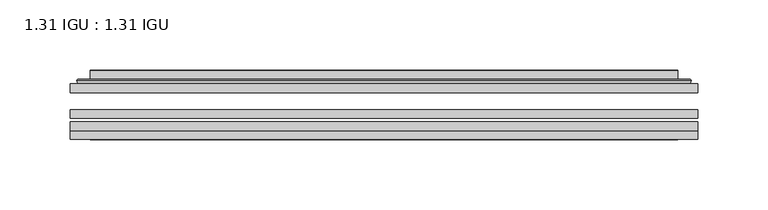
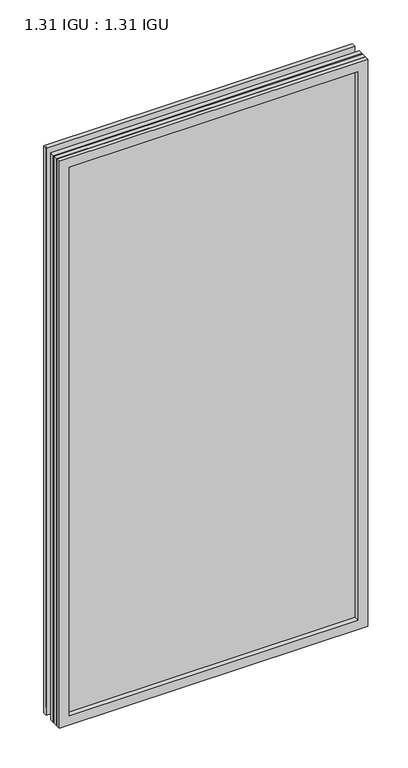
"""IFC4 building model written with IfcOpenShell, lengths in millimetres: plate geometry, 1.31 IGU : 1.31 IGU."""

from ifc_helpers import new_model, si_unit, frame, origin, place, context, project, spatial, polyline, ellipse_curve, outline, extrude, faceted_brep, source, transform, mapped, element, save
from ifc_brep_helpers import plane_surface, cylinder_surface, advanced_brep


def plate_1_31_igu_1_31_igu_ff685052(model_context):
    return source(origin(), model_context, "Body", "SolidModel", [
        extrude(outline(polyline([(223.851675, -63.2975937), (223.851675, -69.6475938), (-223.8375, -69.6475938), (-223.8375, -63.2975937), (223.851675, -63.2975937)])), frame((0.0, 0.0, -14.2875), z_axis=(0.0, 0.0, 1.0), x_axis=(1.0, 0.0, 0.0)), (0.0, 0.0, 1.0), 869.9537979),
        extrude(outline(polyline([(-223.8375, -78.2835938), (-223.8375, -71.9330887), (223.851675, -71.9330887), (223.851675, -78.2835938), (-223.8375, -78.2835938)])), frame((0.0, 0.0, -14.2875), z_axis=(0.0, 0.0, 1.0), x_axis=(1.0, 0.0, 0.0)), (0.0, 0.0, 1.0), 869.9537979),
        extrude(outline(polyline([(223.851675, -44.9587937), (223.851675, -51.3087938), (-223.8375, -51.3087938), (-223.8375, -44.9587937), (223.851675, -44.9587937)])), frame((0.0, 0.0, -14.2875), z_axis=(0.0, 0.0, 1.0), x_axis=(1.0, 0.0, 0.0)), (0.0, 0.0, 1.0), 869.9537979),
        faceted_brep([(-223.8502, -84.6335937, 855.6752), (-223.8502, -78.2835937, 855.6752), (-223.8502, -78.2835937, -14.3002), (-223.8502, -84.6335937, -14.3002), (223.8502, -78.2835937, -14.3002), (223.8502, -84.6335937, -14.3002), (223.8502, -78.2835937, 855.6752), (223.8502, -84.6335937, 855.6752), (-208.6522559, -78.2835937, 0.8977441), (208.6522559, -78.2835937, 0.8977441), (208.6522559, -78.2835937, 840.4772559), (-208.6522559, -78.2835937, 840.4772559), (-209.5446902, -84.6335937, 841.3696902), (209.5446902, -84.6335937, 841.3696902), (209.5446902, -84.6335937, 0.0053098), (-209.5446902, -84.6335937, 0.0053098)], [[[0, 1, 2, 3]], [[3, 2, 4, 5]], [[5, 4, 6, 7]], [[1, 6, 4, 2], [8, 9, 10, 11]], [[7, 6, 1, 0]], [[3, 5, 7, 0], [12, 13, 14, 15]], [[11, 12, 15, 8]], [[8, 15, 14, 9]], [[9, 14, 13, 10]], [[10, 13, 12, 11]]]),
        advanced_brep(
        [(-216.596219, -44.9587937, 848.421219), (-218.9504244, -42.9691271, 850.7754244), (-218.9504244, -42.9691271, -9.4004244), (-216.596219, -44.9587937, -7.046219), (-207.5218939, -41.1187568, 839.3468939), (-202.5870621, -44.9587937, 834.4120621), (-202.5870621, -44.9587937, 6.9629379), (-207.5218939, -41.1187568, 2.0281061), (-208.5539217, -35.7215256, 840.3789217), (-208.5539217, -35.7215256, 0.9960783), (-209.5445784, -35.3225507, 841.3695784), (-209.5445784, -35.3225507, 0.0054216), (-209.5445784, -41.7837937, 841.3695784), (-209.5445784, -41.7837937, 0.0054216), (-217.9486349, -41.7837937, 849.7736349), (-217.9486349, -41.7837937, -8.3986349), (218.9504244, -42.9691271, -9.4004244), (216.596219, -44.9587937, -7.046219), (202.5870621, -44.9587937, 6.9629379), (207.5218939, -41.1187568, 2.0281061), (208.5539217, -35.7215256, 0.9960783), (209.5445784, -35.3225507, 0.0054216), (209.5445784, -41.7837937, 0.0054216), (217.9486349, -41.7837937, -8.3986349), (218.9504244, -42.9691271, 850.7754244), (216.596219, -44.9587937, 848.421219), (202.5870621, -44.9587937, 834.4120621), (207.5218939, -41.1187568, 839.3468939), (208.5539217, -35.7215256, 840.3789217), (209.5445784, -35.3225507, 841.3695784), (209.5445784, -41.7837937, 841.3695784), (217.9486349, -41.7837937, 849.7736349)],
        [
            (0, 1, ellipse_curve(frame((-216.596219, -42.5711937, 848.421219), z_axis=(-0.7071067811865475, 0.0, -0.7071067811865475), x_axis=(-0.7071067811865474, 0.0, 0.7071067811865476)), 3.3765763, 2.3876)),
            (1, 2),
            (2, 3, ellipse_curve(frame((-216.596219, -42.5711937, -7.046219), z_axis=(-0.7071067811865475, 0.0, 0.7071067811865475), x_axis=(0.7071067811865474, 0.0, 0.7071067811865476)), 3.3765763, 2.3876)),
            (3, 0),
            (4, 5),
            (5, 6),
            (6, 7),
            (7, 4),
            (8, 4),
            (7, 9),
            (9, 8),
            (10, 8, ellipse_curve(frame((-209.1776219, -35.840786, 841.0026219), z_axis=(-0.7071067811865475, 0.0, -0.7071067811865475), x_axis=(-0.7071067811865474, 0.0, 0.7071067811865476)), 0.8980256, 0.635)),
            (9, 11, ellipse_curve(frame((-209.1776219, -35.840786, 0.3723781), z_axis=(-0.7071067811865475, 0.0, 0.7071067811865475), x_axis=(0.7071067811865474, 0.0, 0.7071067811865476)), 0.8980256, 0.635)),
            (11, 10),
            (12, 10),
            (11, 13),
            (13, 12),
            (1, 14, ellipse_curve(frame((-217.9486349, -42.7997937, 849.7736349), z_axis=(-0.7071067811865475, 0.0, -0.7071067811865475), x_axis=(-0.7071067811865474, 0.0, 0.7071067811865476)), 1.436841, 1.016)),
            (14, 15),
            (15, 2, ellipse_curve(frame((-217.9486349, -42.7997937, -8.3986349), z_axis=(-0.7071067811865475, 0.0, 0.7071067811865475), x_axis=(0.7071067811865474, 0.0, 0.7071067811865476)), 1.436841, 1.016)),
            (2, 16),
            (16, 17, ellipse_curve(frame((216.596219, -42.5711937, -7.046219), z_axis=(-0.7071067811865475, 0.0, -0.7071067811865475), x_axis=(-0.7071067811865476, 0.0, 0.7071067811865474)), 3.3765763, 2.3876)),
            (17, 3),
            (6, 18),
            (18, 19),
            (19, 7),
            (19, 20),
            (20, 9),
            (20, 21, ellipse_curve(frame((209.1776219, -35.840786, 0.3723781), z_axis=(-0.7071067811865475, 0.0, -0.7071067811865475), x_axis=(-0.7071067811865476, 0.0, 0.7071067811865474)), 0.8980256, 0.635)),
            (21, 11),
            (21, 22),
            (22, 13),
            (15, 23),
            (23, 16, ellipse_curve(frame((217.9486349, -42.7997937, -8.3986349), z_axis=(-0.7071067811865475, 0.0, -0.7071067811865475), x_axis=(-0.7071067811865476, 0.0, 0.7071067811865474)), 1.436841, 1.016)),
            (16, 24),
            (24, 25, ellipse_curve(frame((216.596219, -42.5711937, 848.421219), z_axis=(0.7071067811865475, 0.0, -0.7071067811865475), x_axis=(-0.7071067811865474, 0.0, -0.7071067811865476)), 3.3765763, 2.3876)),
            (25, 17),
            (18, 26),
            (26, 27),
            (27, 19),
            (27, 28),
            (28, 20),
            (28, 29, ellipse_curve(frame((209.1776219, -35.840786, 841.0026219), z_axis=(0.7071067811865475, 0.0, -0.7071067811865475), x_axis=(-0.7071067811865474, 0.0, -0.7071067811865476)), 0.8980256, 0.635)),
            (29, 21),
            (29, 30),
            (30, 22),
            (23, 31),
            (31, 24, ellipse_curve(frame((217.9486349, -42.7997937, 849.7736349), z_axis=(0.7071067811865475, 0.0, -0.7071067811865475), x_axis=(-0.7071067811865474, 0.0, -0.7071067811865476)), 1.436841, 1.016)),
            (24, 1),
            (0, 25),
            (5, 26),
            (4, 27),
            (8, 28),
            (10, 29),
            (12, 30),
            (14, 31),
        ],
        [
            cylinder_surface(frame((-216.596219, -42.5711937, 873.125), z_axis=(0.0, 0.0, 1.0), x_axis=(-1.0, 0.0, 0.0)), 2.3876),
            plane_surface(frame((-202.5870621, -44.9587937, 834.4120621), z_axis=(0.6141233906514794, 0.7892100234124821, 0.0), x_axis=(0.0, 0.0, -1.0))),
            plane_surface(frame((-207.5218939, -41.1187568, 839.3468939), z_axis=(0.9822050625507729, 0.18781164793386076, 0.0), x_axis=(0.0, 0.0, -1.0))),
            cylinder_surface(frame((-209.1776219, -35.840786, 873.125), z_axis=(0.0, 0.0, 1.0), x_axis=(-1.0, 0.0, 0.0)), 0.635),
            plane_surface(frame((-209.5445784, -35.3225507, 841.3695784), z_axis=(-1.0, 0.0, 0.0), x_axis=(0.0, 0.0, -1.0))),
            cylinder_surface(frame((-217.9486349, -42.7997937, 873.125), z_axis=(0.0, 0.0, 1.0), x_axis=(-1.0, 0.0, 0.0)), 1.016),
            cylinder_surface(frame((-241.3, -42.5711937, -7.046219), z_axis=(-1.0, 0.0, 0.0), x_axis=(0.0, 0.0, -1.0)), 2.3876),
            plane_surface(frame((-202.5870621, -44.9587937, 6.9629379), z_axis=(0.0, 0.7892100234124841, 0.6141233906514768), x_axis=(1.0, 0.0, 0.0))),
            plane_surface(frame((-207.5218939, -41.1187568, 2.0281061), z_axis=(0.0, 0.18781164793386393, 0.9822050625507723), x_axis=(1.0, 0.0, 0.0))),
            cylinder_surface(frame((-241.3, -35.840786, 0.3723781), z_axis=(-1.0, 0.0, 0.0), x_axis=(0.0, 0.0, -1.0)), 0.635),
            plane_surface(frame((-209.5445784, -35.3225507, 0.0054216), z_axis=(0.0, 0.0, -1.0), x_axis=(1.0, 0.0, 0.0))),
            cylinder_surface(frame((-241.3, -42.7997937, -8.3986349), z_axis=(-1.0, 0.0, 0.0), x_axis=(0.0, 0.0, -1.0)), 1.016),
            cylinder_surface(frame((216.596219, -42.5711937, -31.75), z_axis=(0.0, 0.0, -1.0), x_axis=(1.0, 0.0, 0.0)), 2.3876),
            plane_surface(frame((202.5870621, -44.9587937, 6.9629379), z_axis=(-0.6141233906514743, 0.7892100234124861, 0.0), x_axis=(0.0, 0.0, 1.0))),
            plane_surface(frame((207.5218939, -41.1187568, 2.0281061), z_axis=(-0.9822050625507718, 0.1878116479338671, 0.0), x_axis=(0.0, 0.0, 1.0))),
            cylinder_surface(frame((209.1776219, -35.840786, -31.75), z_axis=(0.0, 0.0, -1.0), x_axis=(1.0, 0.0, 0.0)), 0.635),
            plane_surface(frame((209.5445784, -35.3225507, 0.0054216), z_axis=(1.0, 0.0, 0.0), x_axis=(0.0, 0.0, 1.0))),
            cylinder_surface(frame((217.9486349, -42.7997937, -31.75), z_axis=(0.0, 0.0, -1.0), x_axis=(1.0, 0.0, 0.0)), 1.016),
            cylinder_surface(frame((241.3, -42.5711937, 848.421219), z_axis=(1.0, 0.0, 0.0), x_axis=(0.0, 0.0, 1.0)), 2.3876),
            plane_surface(frame((216.596219, -44.9587937, 848.421219), z_axis=(0.0, -1.0, 0.0), x_axis=(-1.0, 0.0, 0.0))),
            plane_surface(frame((202.5870621, -44.9587937, 834.4120621), z_axis=(0.0, 0.7892100234124841, -0.6141233906514768), x_axis=(-1.0, 0.0, 0.0))),
            plane_surface(frame((207.5218939, -41.1187568, 839.3468939), z_axis=(0.0, 0.18781164793386393, -0.9822050625507723), x_axis=(-1.0, 0.0, 0.0))),
            cylinder_surface(frame((241.3, -35.840786, 841.0026219), z_axis=(1.0, 0.0, 0.0), x_axis=(0.0, 0.0, 1.0)), 0.635),
            plane_surface(frame((209.5445784, -35.3225507, 841.3695784), z_axis=(0.0, 0.0, 1.0), x_axis=(-1.0, 0.0, 0.0))),
            plane_surface(frame((209.5445784, -41.7837937, 841.3695784), z_axis=(0.0, 1.0, 0.0), x_axis=(-1.0, 0.0, 0.0))),
            cylinder_surface(frame((241.3, -42.7997937, 849.7736349), z_axis=(1.0, 0.0, 0.0), x_axis=(0.0, 0.0, 1.0)), 1.016),
        ],
        [
            (0, [[1, 2, 3, 4]]),
            (1, [[5, 6, 7, 8]]),
            (2, [[9, -8, 10, 11]]),
            (3, [[12, -11, 13, 14]]),
            (4, [[15, -14, 16, 17]]),
            (5, [[18, 19, 20, -2]]),
            (6, [[-3, 21, 22, 23]]),
            (7, [[-7, 24, 25, 26]]),
            (8, [[-10, -26, 27, 28]]),
            (9, [[-13, -28, 29, 30]]),
            (10, [[-16, -30, 31, 32]]),
            (11, [[-20, 33, 34, -21]]),
            (12, [[-22, 35, 36, 37]]),
            (13, [[-25, 38, 39, 40]]),
            (14, [[-27, -40, 41, 42]]),
            (15, [[-29, -42, 43, 44]]),
            (16, [[-31, -44, 45, 46]]),
            (17, [[-34, 47, 48, -35]]),
            (18, [[-36, 49, -1, 50]]),
            (19, [[-23, -37, -50, -4], [51, -38, -24, -6]]),
            (20, [[-39, -51, -5, 52]]),
            (21, [[-41, -52, -9, 53]]),
            (22, [[-43, -53, -12, 54]]),
            (23, [[-45, -54, -15, 55]]),
            (24, [[56, -47, -33, -19], [-32, -46, -55, -17]]),
            (25, [[-48, -56, -18, -49]]),
        ],
    ),
    ])


if __name__ == "__main__":
    model = new_model("IFC4")
    model_context = context("Model", 3, world=origin())
    ifc_project = project(units=[si_unit("LENGTHUNIT", "METRE", prefix="MILLI")], contexts=[model_context])
    site = spatial("IfcSite", under=ifc_project)
    building = spatial("IfcBuilding", under=site)
    placement = place(None, origin())
    plate_1_31_igu_1_31_igu_shape = plate_1_31_igu_1_31_igu_ff685052(model_context)
    element("IfcPlate", 1, ObjectType="1.31 IGU : 1.31 IGU", at=placement, inside=building, context=model_context, shape_type="MappedRepresentation", body=[
        mapped(plate_1_31_igu_1_31_igu_shape, transform((0.0, 0.0, 0.0), x_axis=(1.0, 0.0, 0.0), y_axis=(0.0, 1.0, 0.0), z_axis=(0.0, 0.0, 1.0))),
    ])
    save(model, "model.ifc")
